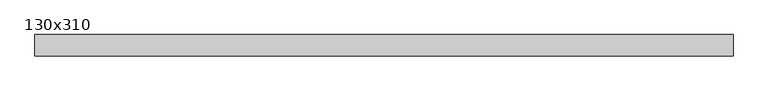
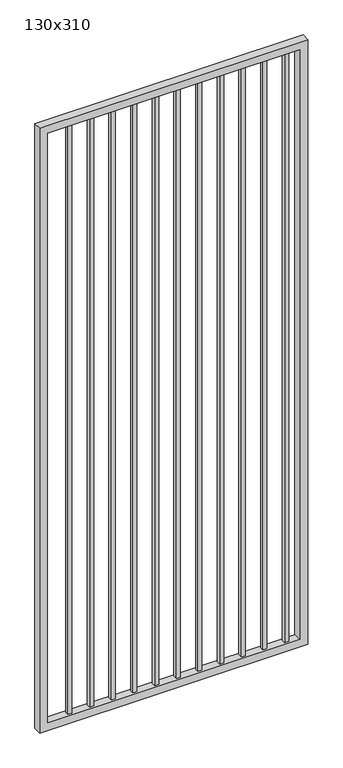
"""IFC4 building model written with IfcOpenShell, lengths in millimetres: proxy geometry, 130x310."""

from ifc_helpers import new_model, si_unit, frame, origin, place, context, project, spatial, polyline, outline, extrude, source, transform, mapped, element, save


def proxy_130x310_3152beac(model_context):
    return source(origin(), model_context, "Body", "SweptSolid", [
        extrude(outline(polyline([(1203.325, 9.525), (1203.325, -9.525), (1184.275, -9.525), (1184.275, 9.525), (1203.325, 9.525)])), frame((0.0, 0.0, 139.7), z_axis=(0.0, 0.0, 1.0), x_axis=(1.0, 0.0, 0.0)), (0.0, 0.0, 1.0), 2930.0),
        extrude(outline(polyline([(1101.725, 9.525), (1101.725, -9.525), (1082.675, -9.525), (1082.675, 9.525), (1101.725, 9.525)])), frame((0.0, 0.0, 139.7), z_axis=(0.0, 0.0, 1.0), x_axis=(1.0, 0.0, 0.0)), (0.0, 0.0, 1.0), 2930.0),
        extrude(outline(polyline([(1000.125, 9.525), (1000.125, -9.525), (981.075, -9.525), (981.075, 9.525), (1000.125, 9.525)])), frame((0.0, 0.0, 139.7), z_axis=(0.0, 0.0, 1.0), x_axis=(1.0, 0.0, 0.0)), (0.0, 0.0, 1.0), 2930.0),
        extrude(outline(polyline([(898.525, 9.525), (898.525, -9.525), (879.475, -9.525), (879.475, 9.525), (898.525, 9.525)])), frame((0.0, 0.0, 139.7), z_axis=(0.0, 0.0, 1.0), x_axis=(1.0, 0.0, 0.0)), (0.0, 0.0, 1.0), 2930.0),
        extrude(outline(polyline([(796.925, 9.525), (796.925, -9.525), (777.875, -9.525), (777.875, 9.525), (796.925, 9.525)])), frame((0.0, 0.0, 139.7), z_axis=(0.0, 0.0, 1.0), x_axis=(1.0, 0.0, 0.0)), (0.0, 0.0, 1.0), 2930.0),
        extrude(outline(polyline([(695.325, 9.525), (695.325, -9.525), (676.275, -9.525), (676.275, 9.525), (695.325, 9.525)])), frame((0.0, 0.0, 139.7), z_axis=(0.0, 0.0, 1.0), x_axis=(1.0, 0.0, 0.0)), (0.0, 0.0, 1.0), 2930.0),
        extrude(outline(polyline([(593.725, 9.525), (593.725, -9.525), (574.675, -9.525), (574.675, 9.525), (593.725, 9.525)])), frame((0.0, 0.0, 139.7), z_axis=(0.0, 0.0, 1.0), x_axis=(1.0, 0.0, 0.0)), (0.0, 0.0, 1.0), 2930.0),
        extrude(outline(polyline([(492.125, 9.525), (492.125, -9.525), (473.075, -9.525), (473.075, 9.525), (492.125, 9.525)])), frame((0.0, 0.0, 139.7), z_axis=(0.0, 0.0, 1.0), x_axis=(1.0, 0.0, 0.0)), (0.0, 0.0, 1.0), 2930.0),
        extrude(outline(polyline([(390.525, 9.525), (390.525, -9.525), (371.475, -9.525), (371.475, 9.525), (390.525, 9.525)])), frame((0.0, 0.0, 139.7), z_axis=(0.0, 0.0, 1.0), x_axis=(1.0, 0.0, 0.0)), (0.0, 0.0, 1.0), 2930.0),
        extrude(outline(polyline([(288.925, 9.525), (288.925, -9.525), (269.875, -9.525), (269.875, 9.525), (288.925, 9.525)])), frame((0.0, 0.0, 139.7), z_axis=(0.0, 0.0, 1.0), x_axis=(1.0, 0.0, 0.0)), (0.0, 0.0, 1.0), 2930.0),
        extrude(outline(polyline([(187.325, 9.525), (187.325, -9.525), (168.275, -9.525), (168.275, 9.525), (187.325, 9.525)])), frame((0.0, 0.0, 139.7), z_axis=(0.0, 0.0, 1.0), x_axis=(1.0, 0.0, 0.0)), (0.0, 0.0, 1.0), 2930.0),
        extrude(outline(polyline([(101.6, 1287.3), (3100.0, 1287.3), (3100.0, 30.0), (101.6, 30.0), (101.6, 1287.3)]), holes=[polyline([(3061.9, 1249.2), (139.7, 1249.2), (139.7, 68.1), (3061.9, 68.1), (3061.9, 1249.2)])]), frame((0.0, -19.05, 0.0), z_axis=(0.0, 1.0, 0.0), x_axis=(0.0, 0.0, 1.0)), (0.0, 0.0, 1.0), 38.1),
    ])


if __name__ == "__main__":
    model = new_model("IFC4")
    model_context = context("Model", 3, world=origin())
    ifc_project = project(units=[si_unit("LENGTHUNIT", "METRE", prefix="MILLI")], contexts=[model_context])
    site = spatial("IfcSite", under=ifc_project)
    building = spatial("IfcBuilding", under=site)
    placement = place(None, origin())
    proxy_130x310_shape = proxy_130x310_3152beac(model_context)
    element("IfcBuildingElementProxy", 1, Name="130x310", ObjectType="130x310", at=placement, inside=building, context=model_context, shape_type="MappedRepresentation", body=[
        mapped(proxy_130x310_shape, transform((0.0, 0.0, 0.0), x_axis=(1.0, 0.0, 0.0), y_axis=(0.0, 1.0, 0.0), z_axis=(0.0, 0.0, 1.0))),
    ])
    save(model, "model.ifc")
